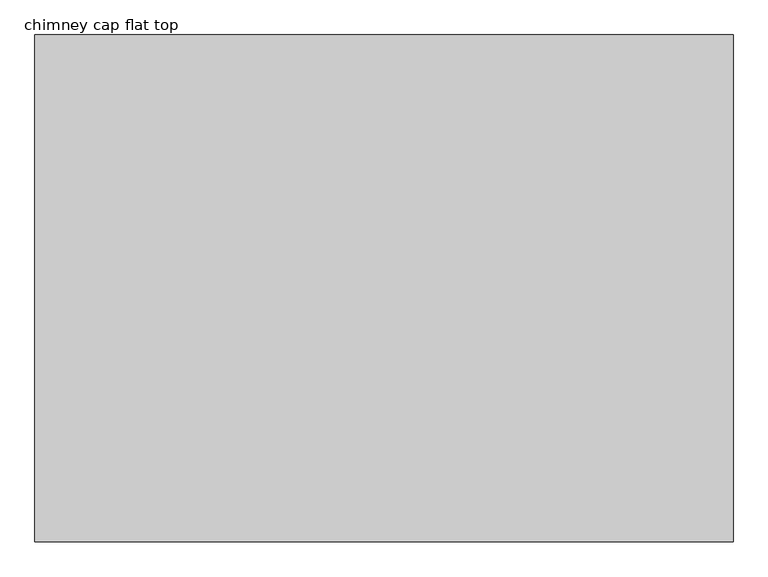
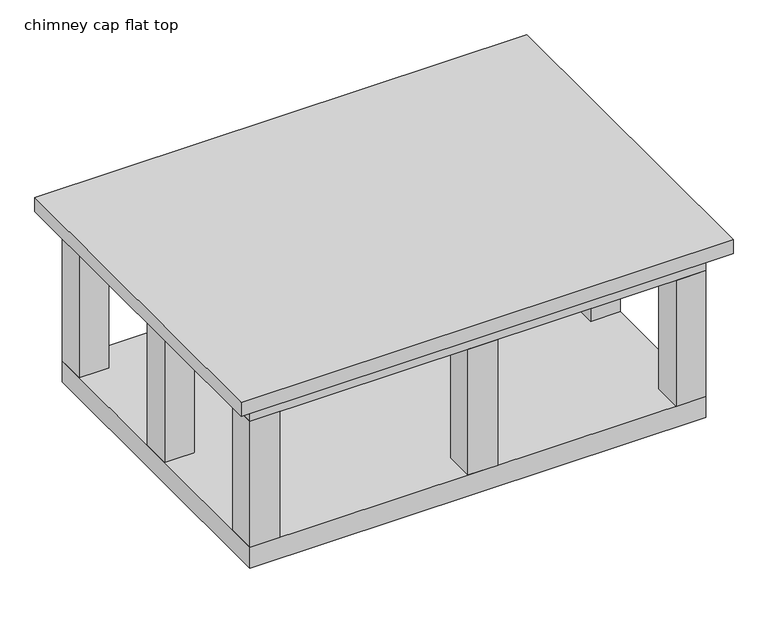
"""IFC4 building model written with IfcOpenShell, lengths in millimetres: proxy geometry, chimney cap flat top."""

from ifc_helpers import new_model, si_unit, frame, origin, origin_with_axes, place, context, project, spatial, polyline, outline, extrude, source, transform, mapped, element, save


def chimney_cap_flat_top_e24c1354(model_context):
    return source(origin(), model_context, "Body", "SweptSolid", [
        extrude(outline(polyline([(-697.9505801, 609.6), (-799.5505801, 609.6), (-799.5505801, 711.2), (-697.9505801, 711.2), (-697.9505801, 609.6)])), frame((0.0, 0.0, 76.2), z_axis=(0.0, 0.0, 1.0), x_axis=(1.0, 0.0, 0.0)), (0.0, 0.0, 1.0), 457.2),
        extrude(outline(polyline([(50.8, 609.6), (-50.8, 609.6), (-50.8, 711.2), (50.8, 711.2), (50.8, 609.6)])), frame((0.0, 0.0, 76.2), z_axis=(0.0, 0.0, 1.0), x_axis=(1.0, 0.0, 0.0)), (0.0, 0.0, 1.0), 457.2),
        extrude(outline(polyline([(765.2855988, 609.6), (663.6855988, 609.6), (663.6855988, 711.2), (765.2855988, 711.2), (765.2855988, 609.6)])), frame((0.0, 0.0, 76.2), z_axis=(0.0, 0.0, 1.0), x_axis=(1.0, 0.0, 0.0)), (0.0, 0.0, 1.0), 457.2),
        extrude(outline(polyline([(50.8, -406.4), (-50.8, -406.4), (-50.8, -304.8), (50.8, -304.8), (50.8, -406.4)])), frame((0.0, 0.0, 76.2), z_axis=(0.0, 0.0, 1.0), x_axis=(1.0, 0.0, 0.0)), (0.0, 0.0, 1.0), 457.2),
        extrude(outline(polyline([(-697.9505801, -406.4), (-799.5505801, -406.4), (-799.5505801, -304.8), (-697.9505801, -304.8), (-697.9505801, -406.4)])), frame((0.0, 0.0, 76.2), z_axis=(0.0, 0.0, 1.0), x_axis=(1.0, 0.0, 0.0)), (0.0, 0.0, 1.0), 457.2),
        extrude(outline(polyline([(765.2855988, -406.4), (663.6855988, -406.4), (663.6855988, -304.8), (765.2855988, -304.8), (765.2855988, -406.4)])), frame((0.0, 0.0, 76.2), z_axis=(0.0, 0.0, 1.0), x_axis=(1.0, 0.0, 0.0)), (0.0, 0.0, 1.0), 457.2),
        extrude(outline(polyline([(-697.9505801, 101.6), (-799.5505801, 101.6), (-799.5505801, 203.2), (-697.9505801, 203.2), (-697.9505801, 101.6)])), frame((0.0, 0.0, 76.2), z_axis=(0.0, 0.0, 1.0), x_axis=(1.0, 0.0, 0.0)), (0.0, 0.0, 1.0), 457.2),
        extrude(outline(polyline([(765.2855988, 101.6), (663.6855988, 101.6), (663.6855988, 203.2), (765.2855988, 203.2), (765.2855988, 101.6)])), frame((0.0, 0.0, 76.2), z_axis=(0.0, 0.0, 1.0), x_axis=(1.0, 0.0, 0.0)), (0.0, 0.0, 1.0), 457.2),
        extrude(outline(polyline([(765.2855988, 711.2), (765.2855988, -406.4), (-799.5505801, -406.4), (-799.5505801, 711.2), (765.2855988, 711.2)])), frame((0.0, 0.0, 533.4), z_axis=(0.0, 0.0, 1.0), x_axis=(1.0, 0.0, 0.0)), (0.0, 0.0, 1.0), 76.2),
        extrude(outline(polyline([(826.0494199, 762.0), (826.0494199, -464.5564488), (-863.6, -464.5564488), (-863.6, 762.0), (826.0494199, 762.0)])), frame((0.0, 0.0, 609.6), z_axis=(0.0, 0.0, 1.0), x_axis=(1.0, 0.0, 0.0)), (0.0, 0.0, 1.0), 50.8),
        extrude(outline(polyline([(765.2855988, 711.2), (765.2855988, -406.4), (-799.5505801, -406.4), (-799.5505801, 711.2), (765.2855988, 711.2)])), origin_with_axes(), (0.0, 0.0, 1.0), 76.2),
    ])


if __name__ == "__main__":
    model = new_model("IFC4")
    model_context = context("Model", 3, world=origin())
    ifc_project = project(units=[si_unit("LENGTHUNIT", "METRE", prefix="MILLI")], contexts=[model_context])
    site = spatial("IfcSite", under=ifc_project)
    building = spatial("IfcBuilding", under=site)
    placement = place(None, origin())
    chimney_cap_flat_top_shape = chimney_cap_flat_top_e24c1354(model_context)
    element("IfcBuildingElementProxy", 1, Name="chimney cap flat top", ObjectType="chimney cap flat top", at=placement, inside=building, context=model_context, shape_type="MappedRepresentation", body=[
        mapped(chimney_cap_flat_top_shape, transform((0.0, 0.0, 0.0), x_axis=(1.0, 0.0, 0.0), y_axis=(0.0, 1.0, 0.0), z_axis=(0.0, 0.0, 1.0))),
    ])
    save(model, "model.ifc")
